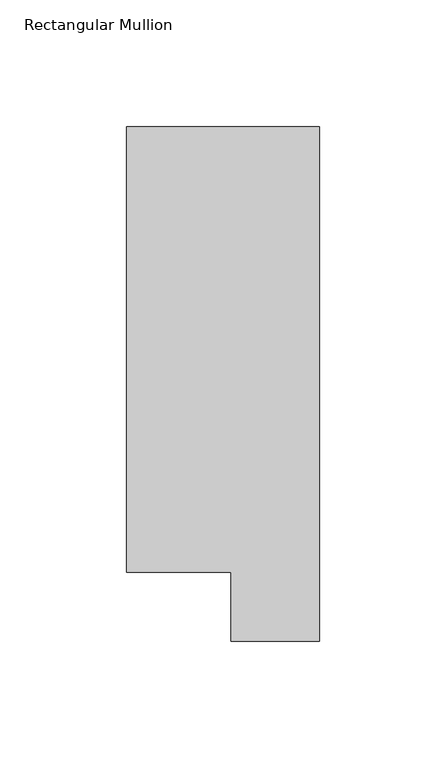
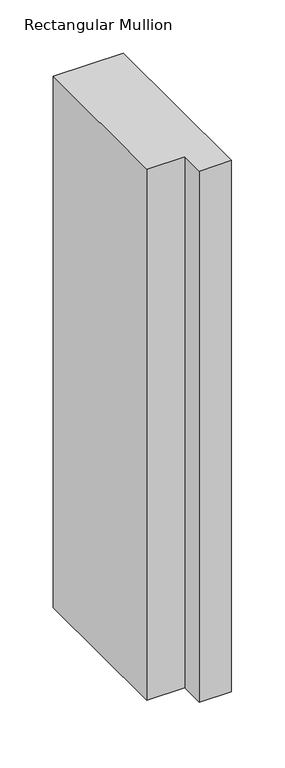
"""IFC4 building model written with IfcOpenShell, lengths in millimetres: member geometry, Rectangular Mullion."""

from ifc_helpers import new_model, si_unit, frame, origin, place, context, project, spatial, polyline, outline, extrude, source, transform, mapped, element, save


def rectangular_mullion_7fdceb1a(model_context):
    return source(origin(), model_context, "Body", "SweptSolid", [
        extrude(outline(polyline([(0.0, 222.5381312), (0.0, 19.5667312), (-34.9123, 19.5667312), (-34.9123, 46.7447302), (-76.2, 46.7447302), (-76.2, 222.5381312), (0.0, 222.5381312)])), frame((0.0, 0.0, -609.6), z_axis=(0.0, 0.0, 1.0), x_axis=(1.0, 0.0, 0.0)), (0.0, 0.0, 1.0), 609.6),
    ])


if __name__ == "__main__":
    model = new_model("IFC4")
    model_context = context("Model", 3, world=origin())
    ifc_project = project(units=[si_unit("LENGTHUNIT", "METRE", prefix="MILLI")], contexts=[model_context])
    site = spatial("IfcSite", under=ifc_project)
    building = spatial("IfcBuilding", under=site)
    placement = place(None, origin())
    rectangular_mullion_shape = rectangular_mullion_7fdceb1a(model_context)
    element("IfcMember", 1, ObjectType="Rectangular Mullion", at=placement, inside=building, context=model_context, shape_type="MappedRepresentation", body=[
        mapped(rectangular_mullion_shape, transform((0.0, 0.0, 0.0), x_axis=(1.0, 0.0, 0.0), y_axis=(0.0, 1.0, 0.0), z_axis=(0.0, 0.0, 1.0))),
    ])
    save(model, "model.ifc")
